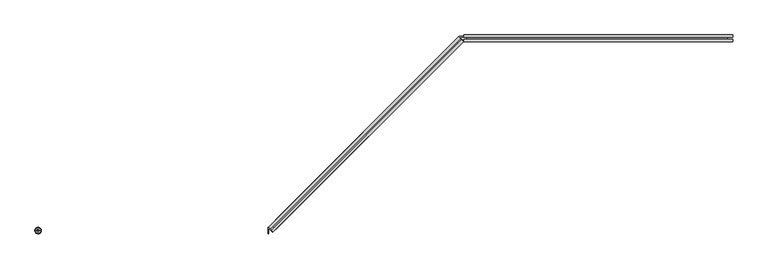
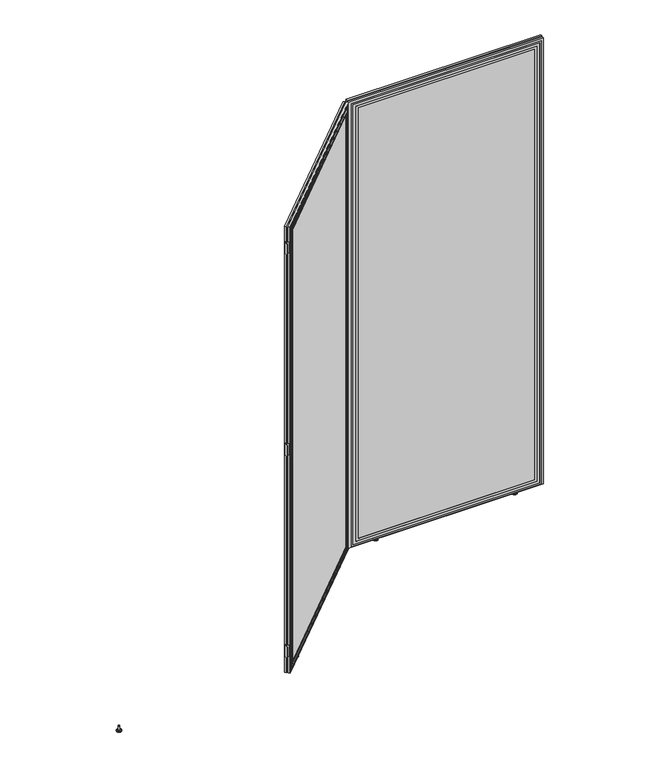
"""IFC4 building model written with IfcOpenShell, lengths in millimetres: furniture geometry."""

from ifc_helpers import new_model, si_unit, point, frame, frame_2d, origin, place, context, project, spatial, polyline, circle_curve, ellipse_curve, trimmed, segment, composite_curve, outline, extrude, faceted_brep, source, transform, mapped, element, save
from ifc_brep_helpers import plane_surface, cylinder_surface, revolved_surface, advanced_brep


def furniture_5c349e17(model_context):
    return source(origin(), model_context, "Body", "SolidModel", [
        advanced_brep(
        [(1114.8231558, 644.8725611, -0.3015086), (1124.0731544, 644.8725611, -0.3015086), (1105.5731572, 644.8725611, -0.3015086), (1124.823154, 644.8725611, 0.448491), (1104.8231575, 644.8725611, 0.448491), (1124.823154, 644.8725611, 4.4484915), (1104.8231575, 644.8725611, 4.4484915), (1124.0731544, 644.8725611, 5.1984911), (1105.5731572, 644.8725611, 5.1984911), (1117.8231544, 644.8725611, 5.1984911), (1111.8231572, 644.8725611, 5.1984911), (1117.8231544, 644.8725611, 24.1984919), (1111.8231572, 644.8725611, 24.1984919), (1114.8231558, 644.8725611, 24.1984919)],
        [
            (0, 1),
            (1, 2, circle_curve(frame((1114.8231558, 644.8725611, -0.3015086), z_axis=(0.0, 0.0, -1.0), x_axis=(1.0000000000000007, 0.0, 0.0)), 9.2499986)),
            (2, 0),
            (2, 1, circle_curve(frame((1114.8231558, 644.8725611, -0.3015086), z_axis=(0.0, 0.0, -1.0), x_axis=(1.0000000000000007, 0.0, 0.0)), 9.2499986)),
            (1, 3, circle_curve(frame((1124.0731544, 644.8725611, 0.448491), z_axis=(0.0, -1.0000000000000007, 0.0), x_axis=(-1.0000000000000007, 0.0, 0.0)), 0.7499996)),
            (3, 4, circle_curve(frame((1114.8231558, 644.8725611, 0.448491), z_axis=(0.0, 0.0, -1.0), x_axis=(1.0000000000000007, 0.0, 0.0)), 9.9999983)),
            (4, 2, circle_curve(frame((1105.5731572, 644.8725611, 0.448491), z_axis=(0.0, -1.0000000000000007, 0.0), x_axis=(1.0000000000000007, 0.0, 0.0)), 0.7499996)),
            (4, 3, circle_curve(frame((1114.8231558, 644.8725611, 0.448491), z_axis=(0.0, 0.0, -1.0), x_axis=(1.0000000000000007, 0.0, 0.0)), 9.9999983)),
            (3, 5),
            (5, 6, circle_curve(frame((1114.8231558, 644.8725611, 4.4484915), z_axis=(0.0, 0.0, -1.0), x_axis=(1.0000000000000007, 0.0, 0.0)), 9.9999983)),
            (6, 4),
            (6, 5, circle_curve(frame((1114.8231558, 644.8725611, 4.4484915), z_axis=(0.0, 0.0, -1.0), x_axis=(1.0000000000000007, 0.0, 0.0)), 9.9999983)),
            (5, 7, circle_curve(frame((1124.0731544, 644.8725611, 4.4484915), z_axis=(0.0, -1.0000000000000007, 0.0), x_axis=(-1.0000000000000007, 0.0, 0.0)), 0.7499996)),
            (7, 8, circle_curve(frame((1114.8231558, 644.8725611, 5.1984911), z_axis=(0.0, 0.0, -1.0), x_axis=(1.0000000000000007, 0.0, 0.0)), 9.2499986)),
            (8, 6, circle_curve(frame((1105.5731572, 644.8725611, 4.4484915), z_axis=(0.0, -1.0000000000000007, 0.0), x_axis=(1.0000000000000007, 0.0, 0.0)), 0.7499996)),
            (8, 7, circle_curve(frame((1114.8231558, 644.8725611, 5.1984911), z_axis=(0.0, 0.0, -1.0), x_axis=(1.0000000000000007, 0.0, 0.0)), 9.2499986)),
            (7, 9),
            (9, 10, circle_curve(frame((1114.8231558, 644.8725611, 5.1984911), z_axis=(0.0, 0.0, -1.0), x_axis=(1.0000000000000007, 0.0, 0.0)), 2.9999986)),
            (10, 8),
            (10, 9, circle_curve(frame((1114.8231558, 644.8725611, 5.1984911), z_axis=(0.0, 0.0, -1.0), x_axis=(1.0000000000000007, 0.0, 0.0)), 2.9999986)),
            (9, 11),
            (11, 12, circle_curve(frame((1114.8231558, 644.8725611, 24.1984919), z_axis=(0.0, 0.0, -1.0), x_axis=(1.0000000000000007, 0.0, 0.0)), 2.9999986)),
            (12, 10),
            (12, 11, circle_curve(frame((1114.8231558, 644.8725611, 24.1984919), z_axis=(0.0, 0.0, -1.0), x_axis=(1.0000000000000007, 0.0, 0.0)), 2.9999986)),
            (11, 13),
            (13, 12),
        ],
        [
            plane_surface(frame((1114.8231558, 644.8725611, -0.3015086), z_axis=(0.0, 0.0, -1.0), x_axis=(1.0, 0.0, 0.0))),
            revolved_surface(trimmed(ellipse_curve(frame((1124.0731544, 644.8725611, 0.448491), z_axis=(0.0, 1.0000000000000007, 0.0), x_axis=(-1.0000000000000007, 0.0, 0.0)), 0.7499996, 0.7499996), [point((1124.823154, 644.8725611, 0.448491))], [point((1124.0731544, 644.8725611, -0.3015086))], True, "CARTESIAN"), (1114.8231558, 644.8725611, 24.1984919), (0.0, 0.0, -1.0)),
            cylinder_surface(frame((1114.8231558, 644.8725611, 24.1984919), z_axis=(0.0, 0.0, -1.0), x_axis=(1.0000000000000007, 0.0, 0.0)), 9.9999983),
            revolved_surface(trimmed(ellipse_curve(frame((1124.0731544, 644.8725611, 4.4484915), z_axis=(0.0, 1.0000000000000007, 0.0), x_axis=(-1.0000000000000007, 0.0, 0.0)), 0.7499996, 0.7499996), [point((1124.0731544, 644.8725611, 5.1984911))], [point((1124.823154, 644.8725611, 4.4484915))], True, "CARTESIAN"), (1114.8231558, 644.8725611, 24.1984919), (0.0, 0.0, -1.0)),
            plane_surface(frame((1114.8231558, 644.8725611, 5.1984911), z_axis=(0.0, 0.0, 1.0), x_axis=(1.0, 0.0, 0.0))),
            cylinder_surface(frame((1114.8231558, 644.8725611, 24.1984919), z_axis=(0.0, 0.0, -1.0), x_axis=(1.0000000000000007, 0.0, 0.0)), 2.9999986),
            plane_surface(frame((1114.8231558, 644.8725611, 24.1984919), z_axis=(0.0, 0.0, 1.0), x_axis=(1.0, 0.0, 0.0))),
        ],
        [
            (0, [[1, 2, 3]]),
            (0, [[-3, 4, -1]]),
            (1, [[-2, 5, 6, 7]]),
            (1, [[-4, -7, 8, -5]]),
            (2, [[-6, 9, 10, 11]]),
            (2, [[-8, -11, 12, -9]]),
            (3, [[-10, 13, 14, 15]]),
            (3, [[-12, -15, 16, -13]]),
            (4, [[-14, 17, 18, 19]]),
            (4, [[-16, -19, 20, -17]]),
            (5, [[-18, 21, 22, 23]]),
            (5, [[-20, -23, 24, -21]]),
            (6, [[-22, 25, 26]]),
            (6, [[-24, -26, -25]]),
        ],
    ),
        advanced_brep(
        [(1723.9641522, 644.8725611, -0.3015086), (1705.464155, 644.8725611, -0.3015086), (1714.7141536, 644.8725611, -0.3015086), (1724.7141519, 644.8725611, 0.448491), (1704.7141553, 644.8725611, 0.448491), (1724.7141519, 644.8725611, 4.4484915), (1704.7141553, 644.8725611, 4.4484915), (1723.9641522, 644.8725611, 5.1984911), (1705.464155, 644.8725611, 5.1984911), (1717.7141522, 644.8725611, 5.1984911), (1711.714155, 644.8725611, 5.1984911), (1717.7141522, 644.8725611, 24.1984919), (1711.714155, 644.8725611, 24.1984919), (1714.7141536, 644.8725611, 24.1984919)],
        [
            (0, 1, circle_curve(frame((1714.7141536, 644.8725611, -0.3015086), z_axis=(0.0, 0.0, -1.0), x_axis=(-1.0000000000000007, 0.0, 0.0)), 9.2499986)),
            (1, 2),
            (2, 0),
            (1, 0, circle_curve(frame((1714.7141536, 644.8725611, -0.3015086), z_axis=(0.0, 0.0, -1.0), x_axis=(-1.0000000000000007, 0.0, 0.0)), 9.2499986)),
            (3, 4, circle_curve(frame((1714.7141536, 644.8725611, 0.448491), z_axis=(0.0, 0.0, -1.0), x_axis=(-1.0000000000000007, 0.0, 0.0)), 9.9999983)),
            (4, 1, circle_curve(frame((1705.464155, 644.8725611, 0.448491), z_axis=(0.0, -1.0000000000000007, 0.0), x_axis=(1.0000000000000007, 0.0, 0.0)), 0.7499996)),
            (0, 3, circle_curve(frame((1723.9641522, 644.8725611, 0.448491), z_axis=(0.0, -1.0000000000000007, 0.0), x_axis=(-1.0000000000000007, 0.0, 0.0)), 0.7499996)),
            (4, 3, circle_curve(frame((1714.7141536, 644.8725611, 0.448491), z_axis=(0.0, 0.0, -1.0), x_axis=(-1.0000000000000007, 0.0, 0.0)), 9.9999983)),
            (5, 6, circle_curve(frame((1714.7141536, 644.8725611, 4.4484915), z_axis=(0.0, 0.0, -1.0), x_axis=(-1.0000000000000007, 0.0, 0.0)), 9.9999983)),
            (6, 4),
            (3, 5),
            (6, 5, circle_curve(frame((1714.7141536, 644.8725611, 4.4484915), z_axis=(0.0, 0.0, -1.0), x_axis=(-1.0000000000000007, 0.0, 0.0)), 9.9999983)),
            (7, 8, circle_curve(frame((1714.7141536, 644.8725611, 5.1984911), z_axis=(0.0, 0.0, -1.0), x_axis=(-1.0000000000000007, 0.0, 0.0)), 9.2499986)),
            (8, 6, circle_curve(frame((1705.464155, 644.8725611, 4.4484915), z_axis=(0.0, -1.0000000000000007, 0.0), x_axis=(1.0000000000000007, 0.0, 0.0)), 0.7499996)),
            (5, 7, circle_curve(frame((1723.9641522, 644.8725611, 4.4484915), z_axis=(0.0, -1.0000000000000007, 0.0), x_axis=(-1.0000000000000007, 0.0, 0.0)), 0.7499996)),
            (8, 7, circle_curve(frame((1714.7141536, 644.8725611, 5.1984911), z_axis=(0.0, 0.0, -1.0), x_axis=(-1.0000000000000007, 0.0, 0.0)), 9.2499986)),
            (9, 10, circle_curve(frame((1714.7141536, 644.8725611, 5.1984911), z_axis=(0.0, 0.0, -1.0), x_axis=(-1.0000000000000007, 0.0, 0.0)), 2.9999986)),
            (10, 8),
            (7, 9),
            (10, 9, circle_curve(frame((1714.7141536, 644.8725611, 5.1984911), z_axis=(0.0, 0.0, -1.0), x_axis=(-1.0000000000000007, 0.0, 0.0)), 2.9999986)),
            (11, 12, circle_curve(frame((1714.7141536, 644.8725611, 24.1984919), z_axis=(0.0, 0.0, -1.0), x_axis=(-1.0000000000000007, 0.0, 0.0)), 2.9999986)),
            (12, 10),
            (9, 11),
            (12, 11, circle_curve(frame((1714.7141536, 644.8725611, 24.1984919), z_axis=(0.0, 0.0, -1.0), x_axis=(-1.0000000000000007, 0.0, 0.0)), 2.9999986)),
            (13, 12),
            (11, 13),
        ],
        [
            plane_surface(frame((1714.7141536, 644.8725611, -0.3015086), z_axis=(0.0, 0.0, -1.0), x_axis=(-1.0, 0.0, 0.0))),
            revolved_surface(trimmed(ellipse_curve(frame((1705.464155, 644.8725611, 0.448491), z_axis=(0.0, 1.0000000000000007, 0.0), x_axis=(1.0000000000000007, 0.0, 0.0)), 0.7499996, 0.7499996), [point((1705.464155, 644.8725611, -0.3015086))], [point((1704.7141553, 644.8725611, 0.448491))], True, "CARTESIAN"), (1714.7141536, 644.8725611, 24.1984919), (0.0, 0.0, 1.0)),
            cylinder_surface(frame((1714.7141536, 644.8725611, 24.1984919), z_axis=(0.0, 0.0, 1.0), x_axis=(-1.0000000000000007, 0.0, 0.0)), 9.9999983),
            revolved_surface(trimmed(ellipse_curve(frame((1705.464155, 644.8725611, 4.4484915), z_axis=(0.0, 1.0000000000000007, 0.0), x_axis=(1.0000000000000007, 0.0, 0.0)), 0.7499996, 0.7499996), [point((1704.7141553, 644.8725611, 4.4484915))], [point((1705.464155, 644.8725611, 5.1984911))], True, "CARTESIAN"), (1714.7141536, 644.8725611, 24.1984919), (0.0, 0.0, 1.0)),
            plane_surface(frame((1714.7141536, 644.8725611, 5.1984911), z_axis=(0.0, 0.0, 1.0), x_axis=(-1.0, 0.0, 0.0))),
            cylinder_surface(frame((1714.7141536, 644.8725611, 24.1984919), z_axis=(0.0, 0.0, 1.0), x_axis=(-1.0000000000000007, 0.0, 0.0)), 2.9999986),
            plane_surface(frame((1714.7141536, 644.8725611, 24.1984919), z_axis=(0.0, 0.0, 1.0), x_axis=(-1.0, 0.0, 0.0))),
        ],
        [
            (0, [[1, 2, 3]]),
            (0, [[4, -3, -2]]),
            (1, [[5, 6, -1, 7]]),
            (1, [[8, -7, -4, -6]]),
            (2, [[9, 10, -5, 11]]),
            (2, [[12, -11, -8, -10]]),
            (3, [[13, 14, -9, 15]]),
            (3, [[16, -15, -12, -14]]),
            (4, [[17, 18, -13, 19]]),
            (4, [[20, -19, -16, -18]]),
            (5, [[21, 22, -17, 23]]),
            (5, [[24, -23, -20, -22]]),
            (6, [[25, -21, 26]]),
            (6, [[-26, -24, -25]]),
        ],
    ),
        faceted_brep([(992.8905297, 642.3881861, 2039.8382812), (992.8905297, 634.3209987, 2039.8382812), (1832.8764672, 634.3209987, 2039.8382812), (1832.8764672, 642.3881861, 2039.8382812), (992.8905297, 642.3881861, 8.0000232), (1832.8764672, 642.3881861, 8.0000232), (1832.8764672, 634.3209987, 8.0000232), (992.8905297, 634.3209987, 8.0000232), (1824.733995, 634.3209987, 9.7609912), (1004.7340037, 634.3209987, 9.7609912), (1004.7340037, 634.3209987, 2029.7609894), (1824.733995, 634.3209987, 2029.7609894), (1816.8804421, 634.3209987, 2021.907399), (1012.5875215, 634.3209987, 2021.907399), (1012.5875215, 634.3209987, 17.6145453), (1816.8804421, 634.3209987, 17.6145453), (1805.2339952, 634.3209987, 2010.2610168), (1805.2339952, 634.3209987, 29.260991), (1024.2339763, 634.3209987, 29.260991), (1024.2339763, 634.3209987, 2010.2610168), (1824.233996, 634.3209987, 10.2609914), (1824.233996, 634.3209987, 2029.2610199), (1005.2339732, 634.3209987, 2029.2610199), (1005.2339732, 634.3209987, 10.2609914), (1012.4253221, 634.3209987, 2022.0695984), (1817.042654, 634.3209987, 2022.0695984), (1817.042654, 634.3209987, 17.4523323), (1012.4253221, 634.3209987, 17.4523323), (1804.7339962, 634.3209987, 2009.7610474), (1024.7340184, 634.3209987, 2009.7610474), (1024.7340184, 634.3209987, 29.7609923), (1804.7339962, 634.3209987, 29.7609923), (1794.7339934, 634.3209987, 1999.760931), (1794.7339934, 634.3209987, 39.7609905), (1034.7339894, 634.3209987, 39.7609905), (1034.7339894, 634.3209987, 1999.760931), (1012.4253221, 639.3381863, 2022.0695984), (1012.4253221, 639.3381863, 17.4523323), (1817.042654, 639.3381863, 17.4523323), (1817.042654, 639.3381863, 2022.0695984), (1816.8804421, 639.3381863, 2021.907399), (1816.8804421, 639.3381863, 17.6145453), (1012.5875215, 639.3381863, 17.6145453), (1012.5875215, 639.3381863, 2021.907399), (1824.733995, 639.3381863, 9.7609912), (1824.733995, 639.3381863, 2029.7609894), (1004.7340037, 639.3381863, 2029.7609894), (1004.7340037, 639.3381863, 9.7609912), (1824.233996, 639.3381863, 10.2609914), (1005.2339732, 639.3381863, 10.2609914), (1005.2339732, 639.3381863, 2029.2610199), (1824.233996, 639.3381863, 2029.2610199), (1794.7339934, 634.6468444, 1999.760931), (1034.7339894, 634.6468444, 1999.760931), (1034.7339894, 634.6468444, 39.7609905), (1794.7339934, 634.6468444, 39.7609905), (1805.2339952, 634.6468444, 2010.2610168), (1024.2339763, 634.6468444, 2010.2610168), (1024.2339763, 634.6468444, 29.260991), (1805.2339952, 634.6468444, 29.260991), (1804.7339962, 634.6468444, 2009.7610474), (1804.7339962, 634.6468444, 29.7609923), (1024.7340184, 634.6468444, 29.7609923), (1024.7340184, 634.6468444, 2009.7610474)], [[[0, 1, 2, 3]], [[4, 5, 6, 7]], [[0, 3, 5, 4]], [[3, 2, 6, 5]], [[2, 1, 7, 6], [8, 9, 10, 11]], [[12, 13, 14, 15], [16, 17, 18, 19]], [[20, 21, 22, 23], [24, 25, 26, 27]], [[28, 29, 30, 31], [32, 33, 34, 35]], [[1, 0, 4, 7]], [[36, 37, 38, 39], [40, 41, 42, 43]], [[44, 45, 46, 47], [48, 49, 50, 51]], [[40, 43, 13, 12]], [[43, 42, 14, 13]], [[42, 41, 15, 14]], [[41, 40, 12, 15]], [[36, 39, 25, 24]], [[39, 38, 26, 25]], [[38, 37, 27, 26]], [[37, 36, 24, 27]], [[44, 47, 9, 8]], [[47, 46, 10, 9]], [[46, 45, 11, 10]], [[45, 44, 8, 11]], [[48, 51, 21, 20]], [[51, 50, 22, 21]], [[50, 49, 23, 22]], [[49, 48, 20, 23]], [[52, 53, 54, 55]], [[56, 57, 58, 59], [60, 61, 62, 63]], [[52, 55, 33, 32]], [[55, 54, 34, 33]], [[54, 53, 35, 34]], [[53, 52, 32, 35]], [[56, 59, 17, 16]], [[59, 58, 18, 17]], [[58, 57, 19, 18]], [[57, 56, 16, 19]], [[60, 63, 29, 28]], [[63, 62, 30, 29]], [[62, 61, 31, 30]], [[61, 60, 28, 31]]]),
        faceted_brep([(992.8905297, 647.2881862, 2039.8382812), (1832.8764672, 647.2881862, 2039.8382812), (1832.8764672, 655.3553737, 2039.8382812), (992.8905297, 655.3553737, 2039.8382812), (992.8905297, 647.2881862, 8.0000232), (992.8905297, 655.3553737, 8.0000232), (1832.8764672, 655.3553737, 8.0000232), (1832.8764672, 647.2881862, 8.0000232), (1004.7340037, 655.3553737, 9.7609912), (1824.733995, 655.3553737, 9.7609912), (1824.733995, 655.3553737, 2029.7609894), (1004.7340037, 655.3553737, 2029.7609894), (1024.7340184, 655.3553737, 2009.7610474), (1804.7339962, 655.3553737, 2009.7610474), (1804.7339962, 655.3553737, 29.7609923), (1024.7340184, 655.3553737, 29.7609923), (1794.7339934, 655.3553737, 39.7609905), (1794.7339934, 655.3553737, 1999.760931), (1034.7339894, 655.3553737, 1999.760931), (1034.7339894, 655.3553737, 39.7609905), (1012.5875215, 655.3553737, 2021.907399), (1816.8804421, 655.3553737, 2021.907399), (1816.8804421, 655.3553737, 17.6145453), (1012.5875215, 655.3553737, 17.6145453), (1805.2339952, 655.3553737, 29.260991), (1805.2339952, 655.3553737, 2010.2610168), (1024.2339763, 655.3553737, 2010.2610168), (1024.2339763, 655.3553737, 29.260991), (1824.233996, 655.3553737, 2029.2610199), (1824.233996, 655.3553737, 10.2609914), (1005.2339732, 655.3553737, 10.2609914), (1005.2339732, 655.3553737, 2029.2610199), (1817.042654, 655.3553737, 2022.0695984), (1012.4253221, 655.3553737, 2022.0695984), (1012.4253221, 655.3553737, 17.4523323), (1817.042654, 655.3553737, 17.4523323), (1794.7339934, 655.0295279, 1999.760931), (1794.7339934, 655.0295279, 39.7609905), (1034.7339894, 655.0295279, 39.7609905), (1034.7339894, 655.0295279, 1999.760931), (1805.2339952, 655.0295279, 2010.2610168), (1805.2339952, 655.0295279, 29.260991), (1024.2339763, 655.0295279, 29.260991), (1024.2339763, 655.0295279, 2010.2610168), (1804.7339962, 655.0295279, 2009.7610474), (1024.7340184, 655.0295279, 2009.7610474), (1024.7340184, 655.0295279, 29.7609923), (1804.7339962, 655.0295279, 29.7609923), (1012.4253221, 650.338186, 2022.0695984), (1817.042654, 650.338186, 2022.0695984), (1817.042654, 650.338186, 17.4523323), (1012.4253221, 650.338186, 17.4523323), (1816.8804421, 650.338186, 2021.907399), (1012.5875215, 650.338186, 2021.907399), (1012.5875215, 650.338186, 17.6145453), (1816.8804421, 650.338186, 17.6145453), (1824.733995, 650.338186, 9.7609912), (1004.7340037, 650.338186, 9.7609912), (1004.7340037, 650.338186, 2029.7609894), (1824.733995, 650.338186, 2029.7609894), (1824.233996, 650.338186, 10.2609914), (1824.233996, 650.338186, 2029.2610199), (1005.2339732, 650.338186, 2029.2610199), (1005.2339732, 650.338186, 10.2609914)], [[[0, 1, 2, 3]], [[4, 5, 6, 7]], [[1, 0, 4, 7]], [[2, 1, 7, 6]], [[3, 2, 6, 5], [8, 9, 10, 11]], [[12, 13, 14, 15], [16, 17, 18, 19]], [[20, 21, 22, 23], [24, 25, 26, 27]], [[28, 29, 30, 31], [32, 33, 34, 35]], [[0, 3, 5, 4]], [[36, 37, 38, 39]], [[40, 41, 42, 43], [44, 45, 46, 47]], [[37, 36, 17, 16]], [[38, 37, 16, 19]], [[39, 38, 19, 18]], [[36, 39, 18, 17]], [[41, 40, 25, 24]], [[42, 41, 24, 27]], [[43, 42, 27, 26]], [[40, 43, 26, 25]], [[45, 44, 13, 12]], [[46, 45, 12, 15]], [[47, 46, 15, 14]], [[44, 47, 14, 13]], [[48, 49, 50, 51], [52, 53, 54, 55]], [[56, 57, 58, 59], [60, 61, 62, 63]], [[53, 52, 21, 20]], [[54, 53, 20, 23]], [[55, 54, 23, 22]], [[52, 55, 22, 21]], [[49, 48, 33, 32]], [[50, 49, 32, 35]], [[51, 50, 35, 34]], [[48, 51, 34, 33]], [[57, 56, 9, 8]], [[58, 57, 8, 11]], [[59, 58, 11, 10]], [[56, 59, 10, 9]], [[61, 60, 29, 28]], [[62, 61, 28, 31]], [[63, 62, 31, 30]], [[60, 63, 30, 29]]]),
        extrude(outline(polyline([(1816.733995, 647.2881862), (1816.733995, 642.3881861), (1003.2557729, 642.3881861), (1003.2557729, 647.2881862), (1816.733995, 647.2881862)])), frame((0.0, 0.0, 8.0000232), z_axis=(0.0, 0.0, 1.0), x_axis=(1.0, 0.0, 0.0)), (0.0, 0.0, 1.0), 2022.0000504),
        extrude(outline(composite_curve([segment(polyline([(997.9488863, 648.5239509), (979.9488757, 648.5239503), (992.676805, 635.7960219), (991.2625879, 634.3818047), (978.5538758, 647.0905159)]), True, "CONTINUOUS"), segment(trimmed(circle_curve(frame_2d((979.9760501, 648.5126903)), 2.0112583), [point((978.5538758, 647.0905159))], [point((979.9760501, 650.5239486))], False, "CARTESIAN"), True, "CONTINUOUS"), segment(polyline([(979.9760501, 650.5239486), (997.9488862, 650.5239492), (997.9488863, 648.5239509)]), True, "CONTINUOUS")], self_intersect=False)), frame((0.0, 0.0, 1921.0916178), z_axis=(0.0, 0.0, 1.0), x_axis=(1.0, 0.0, 0.0)), (0.0, 0.0, 1.0), 50.7083746),
        extrude(outline(composite_curve([segment(polyline([(997.9488863, 648.5239509), (979.9488757, 648.5239503), (992.676805, 635.7960219), (991.2625879, 634.3818047), (978.5538758, 647.0905159)]), True, "CONTINUOUS"), segment(trimmed(circle_curve(frame_2d((979.9760501, 648.5126903)), 2.0112583), [point((978.5538758, 647.0905159))], [point((979.9760501, 650.5239486))], False, "CARTESIAN"), True, "CONTINUOUS"), segment(polyline([(979.9760501, 650.5239486), (997.9488862, 650.5239492), (997.9488863, 648.5239509)]), True, "CONTINUOUS")], self_intersect=False)), frame((0.0, 0.0, 1002.6916439), z_axis=(0.0, 0.0, 1.0), x_axis=(1.0, 0.0, 0.0)), (0.0, 0.0, 1.0), 50.7083746),
        extrude(outline(composite_curve([segment(polyline([(997.9722104, 648.547275), (979.9721999, 648.5472744), (992.7001291, 635.819346), (991.285912, 634.4051288), (978.5771999, 647.11384)]), True, "CONTINUOUS"), segment(trimmed(circle_curve(frame_2d((979.9993743, 648.5360144)), 2.0112583), [point((978.5771999, 647.11384))], [point((979.9993742, 650.5472727))], False, "CARTESIAN"), True, "CONTINUOUS"), segment(polyline([(979.9993742, 650.5472727), (997.9722103, 650.5472733), (997.9722104, 648.547275)]), True, "CONTINUOUS")], self_intersect=False)), frame((0.0, 0.0, 84.7916486), z_axis=(0.0, 0.0, 1.0), x_axis=(1.0, 0.0, 0.0)), (0.0, 0.0, 1.0), 50.7083746),
        advanced_brep(
        [(476.3161199, 133.7810063, -0.3015086), (482.8568564, 140.3217432, -0.3015086), (469.7753834, 127.2402693, -0.3015086), (483.3871863, 140.8520731, 0.448491), (469.2450536, 126.7099395, 0.448491), (483.3871863, 140.8520731, 4.4484915), (469.2450536, 126.7099395, 4.4484915), (482.8568564, 140.3217432, 5.1984911), (469.7753834, 127.2402693, 5.1984911), (478.4374392, 135.9023257, 5.1984911), (474.1948006, 131.6596869, 5.1984911), (478.4374392, 135.9023257, 24.1984919), (474.1948006, 131.6596869, 24.1984919), (476.3161199, 133.7810063, 24.1984919)],
        [
            (0, 1),
            (1, 2, circle_curve(frame((476.3161199, 133.7810063, -0.3015086), z_axis=(0.0, 0.0, -1.0), x_axis=(0.7071067576750253, 0.7071068046980694, 0.0)), 9.2499986)),
            (2, 0),
            (2, 1, circle_curve(frame((476.3161199, 133.7810063, -0.3015086), z_axis=(0.0, 0.0, -1.0), x_axis=(0.7071067576750253, 0.7071068046980694, 0.0)), 9.2499986)),
            (1, 3, circle_curve(frame((482.8568564, 140.3217432, 0.448491), z_axis=(0.7071068046980694, -0.7071067576750253, 0.0), x_axis=(-0.7071067576750253, -0.7071068046980694, 0.0)), 0.7499996)),
            (3, 4, circle_curve(frame((476.3161199, 133.7810063, 0.448491), z_axis=(0.0, 0.0, -1.0), x_axis=(0.7071067576750253, 0.7071068046980694, 0.0)), 9.9999983)),
            (4, 2, circle_curve(frame((469.7753834, 127.2402693, 0.448491), z_axis=(0.7071068046980717, -0.707106757675023, 0.0), x_axis=(0.707106757675023, 0.7071068046980717, 0.0)), 0.7499996)),
            (4, 3, circle_curve(frame((476.3161199, 133.7810063, 0.448491), z_axis=(0.0, 0.0, -1.0), x_axis=(0.7071067576750253, 0.7071068046980694, 0.0)), 9.9999983)),
            (3, 5),
            (5, 6, circle_curve(frame((476.3161199, 133.7810063, 4.4484915), z_axis=(0.0, 0.0, -1.0), x_axis=(0.7071067576750253, 0.7071068046980694, 0.0)), 9.9999983)),
            (6, 4),
            (6, 5, circle_curve(frame((476.3161199, 133.7810063, 4.4484915), z_axis=(0.0, 0.0, -1.0), x_axis=(0.7071067576750253, 0.7071068046980694, 0.0)), 9.9999983)),
            (5, 7, circle_curve(frame((482.8568564, 140.3217432, 4.4484915), z_axis=(0.7071068046980694, -0.7071067576750253, 0.0), x_axis=(-0.7071067576750253, -0.7071068046980694, 0.0)), 0.7499996)),
            (7, 8, circle_curve(frame((476.3161199, 133.7810063, 5.1984911), z_axis=(0.0, 0.0, -1.0), x_axis=(0.7071067576750253, 0.7071068046980694, 0.0)), 9.2499986)),
            (8, 6, circle_curve(frame((469.7753834, 127.2402693, 4.4484915), z_axis=(0.7071068046980717, -0.707106757675023, 0.0), x_axis=(0.707106757675023, 0.7071068046980717, 0.0)), 0.7499996)),
            (8, 7, circle_curve(frame((476.3161199, 133.7810063, 5.1984911), z_axis=(0.0, 0.0, -1.0), x_axis=(0.7071067576750253, 0.7071068046980694, 0.0)), 9.2499986)),
            (7, 9),
            (9, 10, circle_curve(frame((476.3161199, 133.7810063, 5.1984911), z_axis=(0.0, 0.0, -1.0), x_axis=(0.7071067576750253, 0.7071068046980694, 0.0)), 2.9999986)),
            (10, 8),
            (10, 9, circle_curve(frame((476.3161199, 133.7810063, 5.1984911), z_axis=(0.0, 0.0, -1.0), x_axis=(0.7071067576750253, 0.7071068046980694, 0.0)), 2.9999986)),
            (9, 11),
            (11, 12, circle_curve(frame((476.3161199, 133.7810063, 24.1984919), z_axis=(0.0, 0.0, -1.0), x_axis=(0.7071067576750253, 0.7071068046980694, 0.0)), 2.9999986)),
            (12, 10),
            (12, 11, circle_curve(frame((476.3161199, 133.7810063, 24.1984919), z_axis=(0.0, 0.0, -1.0), x_axis=(0.7071067576750253, 0.7071068046980694, 0.0)), 2.9999986)),
            (11, 13),
            (13, 12),
        ],
        [
            plane_surface(frame((476.3161199, 133.7810063, -0.3015086), z_axis=(0.0, 0.0, -1.0000000000000002), x_axis=(0.7071067576750252, 0.7071068046980693, 0.0))),
            revolved_surface(trimmed(ellipse_curve(frame((482.8568564, 140.3217432, 0.448491), z_axis=(-0.7071068046980694, 0.7071067576750253, 0.0), x_axis=(-0.7071067576750253, -0.7071068046980694, 0.0)), 0.7499996, 0.7499996), [point((483.3871863, 140.8520731, 0.448491))], [point((482.8568564, 140.3217432, -0.3015086))], True, "CARTESIAN"), (476.3161199, 133.7810063, 24.1984919), (0.0, 0.0, -1.0)),
            cylinder_surface(frame((476.3161199, 133.7810063, 24.1984919), z_axis=(0.0, 0.0, -1.0), x_axis=(0.7071067576750253, 0.7071068046980694, 0.0)), 9.9999983),
            revolved_surface(trimmed(ellipse_curve(frame((482.8568564, 140.3217432, 4.4484915), z_axis=(-0.7071068046980694, 0.7071067576750253, 0.0), x_axis=(-0.7071067576750253, -0.7071068046980694, 0.0)), 0.7499996, 0.7499996), [point((482.8568564, 140.3217432, 5.1984911))], [point((483.3871863, 140.8520731, 4.4484915))], True, "CARTESIAN"), (476.3161199, 133.7810063, 24.1984919), (0.0, 0.0, -1.0)),
            plane_surface(frame((476.3161199, 133.7810063, 5.1984911), z_axis=(0.0, 0.0, 1.0000000000000002), x_axis=(0.7071067576750252, 0.7071068046980693, 0.0))),
            cylinder_surface(frame((476.3161199, 133.7810063, 24.1984919), z_axis=(0.0, 0.0, -1.0), x_axis=(0.7071067576750253, 0.7071068046980694, 0.0)), 2.9999986),
            plane_surface(frame((476.3161199, 133.7810063, 24.1984919), z_axis=(0.0, 0.0, 1.0000000000000002), x_axis=(0.7071067576750252, 0.7071068046980693, 0.0))),
        ],
        [
            (0, [[1, 2, 3]]),
            (0, [[-3, 4, -1]]),
            (1, [[-2, 5, 6, 7]]),
            (1, [[-4, -7, 8, -5]]),
            (2, [[-6, 9, 10, 11]]),
            (2, [[-8, -11, 12, -9]]),
            (3, [[-10, 13, 14, 15]]),
            (3, [[-12, -15, 16, -13]]),
            (4, [[-14, 17, 18, 19]]),
            (4, [[-16, -19, 20, -17]]),
            (5, [[-18, 21, 22, 23]]),
            (5, [[-20, -23, 24, -21]]),
            (6, [[-22, 25, 26]]),
            (6, [[-24, -26, -25]]),
        ],
    ),
        advanced_brep(
        [(907.0438349, 564.5087499, -0.3015086), (893.9623618, 551.4272759, -0.3015086), (900.5030983, 557.9680129, -0.3015086), (907.5741647, 565.0390797, 0.448491), (893.432032, 550.8969461, 0.448491), (907.5741647, 565.0390797, 4.4484915), (893.432032, 550.8969461, 4.4484915), (907.0438349, 564.5087499, 5.1984911), (893.9623618, 551.4272759, 5.1984911), (902.6244176, 560.0893323, 5.1984911), (898.3817791, 555.8466935, 5.1984911), (902.6244176, 560.0893323, 24.1984919), (898.3817791, 555.8466935, 24.1984919), (900.5030983, 557.9680129, 24.1984919)],
        [
            (0, 1, circle_curve(frame((900.5030983, 557.9680129, -0.3015086), z_axis=(0.0, 0.0, -1.0), x_axis=(-0.7071067576750206, -0.7071068046980741, 0.0)), 9.2499986)),
            (1, 2),
            (2, 0),
            (1, 0, circle_curve(frame((900.5030983, 557.9680129, -0.3015086), z_axis=(0.0, 0.0, -1.0), x_axis=(-0.7071067576750206, -0.7071068046980741, 0.0)), 9.2499986)),
            (3, 4, circle_curve(frame((900.5030983, 557.9680129, 0.448491), z_axis=(0.0, 0.0, -1.0), x_axis=(-0.7071067576750206, -0.7071068046980741, 0.0)), 9.9999983)),
            (4, 1, circle_curve(frame((893.9623618, 551.4272759, 0.448491), z_axis=(0.7071068046980741, -0.7071067576750206, 0.0), x_axis=(0.7071067576750206, 0.7071068046980741, 0.0)), 0.7499996)),
            (0, 3, circle_curve(frame((907.0438349, 564.5087499, 0.448491), z_axis=(0.7071068046980717, -0.707106757675023, 0.0), x_axis=(-0.707106757675023, -0.7071068046980717, 0.0)), 0.7499996)),
            (4, 3, circle_curve(frame((900.5030983, 557.9680129, 0.448491), z_axis=(0.0, 0.0, -1.0), x_axis=(-0.7071067576750206, -0.7071068046980741, 0.0)), 9.9999983)),
            (5, 6, circle_curve(frame((900.5030983, 557.9680129, 4.4484915), z_axis=(0.0, 0.0, -1.0), x_axis=(-0.7071067576750206, -0.7071068046980741, 0.0)), 9.9999983)),
            (6, 4),
            (3, 5),
            (6, 5, circle_curve(frame((900.5030983, 557.9680129, 4.4484915), z_axis=(0.0, 0.0, -1.0), x_axis=(-0.7071067576750206, -0.7071068046980741, 0.0)), 9.9999983)),
            (7, 8, circle_curve(frame((900.5030983, 557.9680129, 5.1984911), z_axis=(0.0, 0.0, -1.0), x_axis=(-0.7071067576750206, -0.7071068046980741, 0.0)), 9.2499986)),
            (8, 6, circle_curve(frame((893.9623618, 551.4272759, 4.4484915), z_axis=(0.7071068046980741, -0.7071067576750206, 0.0), x_axis=(0.7071067576750206, 0.7071068046980741, 0.0)), 0.7499996)),
            (5, 7, circle_curve(frame((907.0438349, 564.5087499, 4.4484915), z_axis=(0.7071068046980717, -0.707106757675023, 0.0), x_axis=(-0.707106757675023, -0.7071068046980717, 0.0)), 0.7499996)),
            (8, 7, circle_curve(frame((900.5030983, 557.9680129, 5.1984911), z_axis=(0.0, 0.0, -1.0), x_axis=(-0.7071067576750206, -0.7071068046980741, 0.0)), 9.2499986)),
            (9, 10, circle_curve(frame((900.5030983, 557.9680129, 5.1984911), z_axis=(0.0, 0.0, -1.0), x_axis=(-0.7071067576750206, -0.7071068046980741, 0.0)), 2.9999986)),
            (10, 8),
            (7, 9),
            (10, 9, circle_curve(frame((900.5030983, 557.9680129, 5.1984911), z_axis=(0.0, 0.0, -1.0), x_axis=(-0.7071067576750206, -0.7071068046980741, 0.0)), 2.9999986)),
            (11, 12, circle_curve(frame((900.5030983, 557.9680129, 24.1984919), z_axis=(0.0, 0.0, -1.0), x_axis=(-0.7071067576750206, -0.7071068046980741, 0.0)), 2.9999986)),
            (12, 10),
            (9, 11),
            (12, 11, circle_curve(frame((900.5030983, 557.9680129, 24.1984919), z_axis=(0.0, 0.0, -1.0), x_axis=(-0.7071067576750206, -0.7071068046980741, 0.0)), 2.9999986)),
            (13, 12),
            (11, 13),
        ],
        [
            plane_surface(frame((900.5030983, 557.9680129, -0.3015086), z_axis=(0.0, 0.0, -1.0000000000000004), x_axis=(-0.7071067576750205, -0.707106804698074, 0.0))),
            revolved_surface(trimmed(ellipse_curve(frame((893.9623618, 551.4272759, 0.448491), z_axis=(-0.7071068046980741, 0.7071067576750206, 0.0), x_axis=(0.7071067576750206, 0.7071068046980741, 0.0)), 0.7499996, 0.7499996), [point((893.9623618, 551.4272759, -0.3015086))], [point((893.432032, 550.8969461, 0.448491))], True, "CARTESIAN"), (900.5030983, 557.9680129, 24.1984919), (0.0, 0.0, 1.0)),
            cylinder_surface(frame((900.5030983, 557.9680129, 24.1984919), z_axis=(0.0, 0.0, 1.0), x_axis=(-0.7071067576750206, -0.7071068046980741, 0.0)), 9.9999983),
            revolved_surface(trimmed(ellipse_curve(frame((893.9623618, 551.4272759, 4.4484915), z_axis=(-0.7071068046980741, 0.7071067576750206, 0.0), x_axis=(0.7071067576750206, 0.7071068046980741, 0.0)), 0.7499996, 0.7499996), [point((893.432032, 550.8969461, 4.4484915))], [point((893.9623618, 551.4272759, 5.1984911))], True, "CARTESIAN"), (900.5030983, 557.9680129, 24.1984919), (0.0, 0.0, 1.0)),
            plane_surface(frame((900.5030983, 557.9680129, 5.1984911), z_axis=(0.0, 0.0, 1.0000000000000004), x_axis=(-0.7071067576750205, -0.707106804698074, 0.0))),
            cylinder_surface(frame((900.5030983, 557.9680129, 24.1984919), z_axis=(0.0, 0.0, 1.0), x_axis=(-0.7071067576750206, -0.7071068046980741, 0.0)), 2.9999986),
            plane_surface(frame((900.5030983, 557.9680129, 24.1984919), z_axis=(0.0, 0.0, 1.0000000000000004), x_axis=(-0.7071067576750205, -0.707106804698074, 0.0))),
        ],
        [
            (0, [[1, 2, 3]]),
            (0, [[4, -3, -2]]),
            (1, [[5, 6, -1, 7]]),
            (1, [[8, -7, -4, -6]]),
            (2, [[9, 10, -5, 11]]),
            (2, [[12, -11, -8, -10]]),
            (3, [[13, 14, -9, 15]]),
            (3, [[16, -15, -12, -14]]),
            (4, [[17, 18, -13, 19]]),
            (4, [[20, -19, -16, -18]]),
            (5, [[21, 22, -17, 23]]),
            (5, [[24, -23, -20, -22]]),
            (6, [[25, -21, 26]]),
            (6, [[-26, -24, -25]]),
        ],
    ),
        faceted_brep([(391.8534545, 45.8048983, 2039.8382812), (397.5578176, 40.1005355, 2039.8382812), (991.5175504, 634.0603078, 2039.8382812), (985.8131872, 639.7646706, 2039.8382812), (391.8534545, 45.8048983, 8.0000232), (985.8131872, 639.7646706, 8.0000232), (991.5175504, 634.0603078, 8.0000232), (397.5578176, 40.1005355, 8.0000232), (985.7599533, 628.3027103, 9.7609912), (405.9324181, 48.4751366, 9.7609912), (405.9324181, 48.4751366, 2029.7609894), (985.7599533, 628.3027103, 2029.7609894), (980.2066529, 622.7494096, 2021.907399), (411.4856936, 54.0284124, 2021.907399), (411.4856936, 54.0284124, 17.6145453), (980.2066529, 622.7494096, 17.6145453), (971.9713716, 614.5141278, 2010.2610168), (971.9713716, 614.5141278, 29.260991), (419.7209805, 62.2636999, 29.260991), (419.7209805, 62.2636999, 2010.2610168), (985.4064006, 627.9491576, 10.2609914), (985.4064006, 627.9491576, 2029.2610199), (406.2859499, 48.8286684, 2029.2610199), (406.2859499, 48.8286684, 10.2609914), (411.3710013, 53.9137201, 2022.0695984), (980.321354, 622.8641107, 2022.0695984), (980.321354, 622.8641107, 17.4523323), (411.3710013, 53.9137201, 17.4523323), (971.617819, 614.1605751, 2009.7610474), (420.0745637, 62.6172831, 2009.7610474), (420.0745637, 62.6172831, 29.7609923), (971.617819, 614.1605751, 29.7609923), (964.5467494, 607.089505, 1999.760931), (964.5467494, 607.089505, 39.7609905), (427.1456108, 69.6883306, 39.7609905), (427.1456108, 69.6883306, 1999.760931), (407.8233138, 57.4614074, 2022.0695984), (407.8233138, 57.4614074, 17.4523323), (976.7736665, 626.411798, 17.4523323), (976.7736665, 626.411798, 2022.0695984), (976.6589654, 626.2970969, 2021.907399), (976.6589654, 626.2970969, 17.6145453), (407.9380061, 57.5760997, 17.6145453), (407.9380061, 57.5760997, 2021.907399), (982.2122657, 631.8503976, 9.7609912), (982.2122657, 631.8503976, 2029.7609894), (402.3847306, 52.0228239, 2029.7609894), (402.3847306, 52.0228239, 9.7609912), (981.858713, 631.4968449, 10.2609914), (402.7382624, 52.3763557, 10.2609914), (402.7382624, 52.3763557, 2029.2610199), (981.858713, 631.4968449, 2029.2610199), (964.3163416, 607.3199128, 1999.760931), (426.915203, 69.9187384, 1999.760931), (426.915203, 69.9187384, 39.7609905), (964.3163416, 607.3199128, 39.7609905), (971.7409639, 614.7445355, 2010.2610168), (419.4905727, 62.4941076, 2010.2610168), (419.4905727, 62.4941076, 29.260991), (971.7409639, 614.7445355, 29.260991), (971.3874112, 614.3909828, 2009.7610474), (971.3874112, 614.3909828, 29.7609923), (419.8441559, 62.8476908, 29.7609923), (419.8441559, 62.8476908, 2009.7610474)], [[[0, 1, 2, 3]], [[4, 5, 6, 7]], [[0, 3, 5, 4]], [[3, 2, 6, 5]], [[2, 1, 7, 6], [8, 9, 10, 11]], [[12, 13, 14, 15], [16, 17, 18, 19]], [[20, 21, 22, 23], [24, 25, 26, 27]], [[28, 29, 30, 31], [32, 33, 34, 35]], [[1, 0, 4, 7]], [[36, 37, 38, 39], [40, 41, 42, 43]], [[44, 45, 46, 47], [48, 49, 50, 51]], [[40, 43, 13, 12]], [[43, 42, 14, 13]], [[42, 41, 15, 14]], [[41, 40, 12, 15]], [[36, 39, 25, 24]], [[39, 38, 26, 25]], [[38, 37, 27, 26]], [[37, 36, 24, 27]], [[44, 47, 9, 8]], [[47, 46, 10, 9]], [[46, 45, 11, 10]], [[45, 44, 8, 11]], [[48, 51, 21, 20]], [[51, 50, 22, 21]], [[50, 49, 23, 22]], [[49, 48, 20, 23]], [[52, 53, 54, 55]], [[56, 57, 58, 59], [60, 61, 62, 63]], [[52, 55, 33, 32]], [[55, 54, 34, 33]], [[54, 53, 35, 34]], [[53, 52, 32, 35]], [[56, 59, 17, 16]], [[59, 58, 18, 17]], [[58, 57, 19, 18]], [[57, 56, 16, 19]], [[60, 63, 29, 28]], [[63, 62, 30, 29]], [[62, 61, 31, 30]], [[61, 60, 28, 31]]]),
        faceted_brep([(388.388631, 49.2697215, 2039.8382812), (982.3483638, 643.2294938, 2039.8382812), (976.6440007, 648.9338565, 2039.8382812), (382.6842679, 54.9740842, 2039.8382812), (388.388631, 49.2697215, 8.0000232), (382.6842679, 54.9740842, 8.0000232), (976.6440007, 648.9338565, 8.0000232), (982.3483638, 643.2294938, 8.0000232), (391.0588684, 63.3486853, 9.7609912), (970.8864036, 643.176259, 9.7609912), (970.8864036, 643.176259, 2029.7609894), (391.0588684, 63.3486853, 2029.7609894), (405.201014, 77.4908318, 2009.7610474), (956.7442693, 629.0341238, 2009.7610474), (956.7442693, 629.0341238, 29.7609923), (405.201014, 77.4908318, 29.7609923), (949.6731997, 621.9630537, 39.7609905), (949.6731997, 621.9630537, 1999.760931), (412.2720611, 84.5618794, 1999.760931), (412.2720611, 84.5618794, 39.7609905), (396.6121439, 68.9019612, 2021.907399), (965.3331032, 637.6229583, 2021.907399), (965.3331032, 637.6229583, 17.6145453), (396.6121439, 68.9019612, 17.6145453), (957.0978219, 629.3876765, 29.260991), (957.0978219, 629.3876765, 2010.2610168), (404.8474308, 77.1372486, 2010.2610168), (404.8474308, 77.1372486, 29.260991), (970.5328509, 642.8227063, 2029.2610199), (970.5328509, 642.8227063, 10.2609914), (391.4124002, 63.7022172, 10.2609914), (391.4124002, 63.7022172, 2029.2610199), (965.4478043, 637.7376594, 2022.0695984), (396.4974516, 68.7872689, 2022.0695984), (396.4974516, 68.7872689, 17.4523323), (965.4478043, 637.7376594, 17.4523323), (949.9036075, 621.732646, 1999.760931), (949.9036075, 621.732646, 39.7609905), (412.5024688, 84.3314716, 39.7609905), (412.5024688, 84.3314716, 1999.760931), (957.3282297, 629.1572687, 2010.2610168), (957.3282297, 629.1572687, 29.260991), (405.0778386, 76.9068409, 29.260991), (405.0778386, 76.9068409, 2010.2610168), (956.974677, 628.803716, 2009.7610474), (405.4314217, 77.2604241, 2009.7610474), (405.4314217, 77.2604241, 29.7609923), (956.974677, 628.803716, 29.7609923), (400.0451391, 65.2395816, 2022.0695984), (968.9954919, 634.1899721, 2022.0695984), (968.9954919, 634.1899721, 17.4523323), (400.0451391, 65.2395816, 17.4523323), (968.8807908, 634.075271, 2021.907399), (400.1598314, 65.3542739, 2021.907399), (400.1598314, 65.3542739, 17.6145453), (968.8807908, 634.075271, 17.6145453), (974.4340911, 639.6285717, 9.7609912), (394.606556, 59.800998, 9.7609912), (394.606556, 59.800998, 2029.7609894), (974.4340911, 639.6285717, 2029.7609894), (974.0805384, 639.275019, 10.2609914), (974.0805384, 639.275019, 2029.2610199), (394.9600878, 60.1545299, 2029.2610199), (394.9600878, 60.1545299, 10.2609914)], [[[0, 1, 2, 3]], [[4, 5, 6, 7]], [[1, 0, 4, 7]], [[2, 1, 7, 6]], [[3, 2, 6, 5], [8, 9, 10, 11]], [[12, 13, 14, 15], [16, 17, 18, 19]], [[20, 21, 22, 23], [24, 25, 26, 27]], [[28, 29, 30, 31], [32, 33, 34, 35]], [[0, 3, 5, 4]], [[36, 37, 38, 39]], [[40, 41, 42, 43], [44, 45, 46, 47]], [[37, 36, 17, 16]], [[38, 37, 16, 19]], [[39, 38, 19, 18]], [[36, 39, 18, 17]], [[41, 40, 25, 24]], [[42, 41, 24, 27]], [[43, 42, 27, 26]], [[40, 43, 26, 25]], [[45, 44, 13, 12]], [[46, 45, 12, 15]], [[47, 46, 15, 14]], [[44, 47, 14, 13]], [[48, 49, 50, 51], [52, 53, 54, 55]], [[56, 57, 58, 59], [60, 61, 62, 63]], [[53, 52, 21, 20]], [[54, 53, 20, 23]], [[55, 54, 23, 22]], [[52, 55, 22, 21]], [[49, 48, 33, 32]], [[50, 49, 32, 35]], [[51, 50, 35, 34]], [[48, 51, 34, 33]], [[57, 56, 9, 8]], [[58, 57, 8, 11]], [[59, 58, 11, 10]], [[56, 59, 10, 9]], [[61, 60, 29, 28]], [[62, 61, 28, 31]], [[63, 62, 31, 30]], [[60, 63, 30, 29]]]),
        extrude(outline(polyline([(970.9339127, 631.8150418), (974.3987361, 628.3502186), (399.182788, 53.1342323), (395.7179646, 56.5990555), (970.9339127, 631.8150418)])), frame((0.0, 0.0, 8.0000232), z_axis=(0.0, 0.0, 1.0), x_axis=(1.0, 0.0, 0.0)), (0.0, 0.0, 1.0), 2022.0000504),
        extrude(outline(composite_curve([segment(polyline([(395.3142385, 39.6125109), (382.586309, 52.3404404), (382.586309, 34.3404308), (380.5863039, 34.3404308), (380.5863039, 52.3132632)]), True, "CONTINUOUS"), segment(trimmed(circle_curve(frame_2d((382.5975622, 52.3132632)), 2.0112583), [point((380.5863039, 52.3132632))], [point((384.0197366, 53.7354376))], False, "CARTESIAN"), True, "CONTINUOUS"), segment(polyline([(384.0197366, 53.7354376), (396.7284509, 41.0267233), (395.3142385, 39.6125109)]), True, "CONTINUOUS")], self_intersect=False)), frame((0.0, 0.0, 1921.0916178), z_axis=(0.0, 0.0, 1.0), x_axis=(1.0, 0.0, 0.0)), (0.0, 0.0, 1.0), 50.7083746),
        extrude(outline(composite_curve([segment(polyline([(395.3142385, 39.6125109), (382.586309, 52.3404404), (382.586309, 34.3404308), (380.5863039, 34.3404308), (380.5863039, 52.3132632)]), True, "CONTINUOUS"), segment(trimmed(circle_curve(frame_2d((382.5975622, 52.3132632)), 2.0112583), [point((380.5863039, 52.3132632))], [point((384.0197366, 53.7354376))], False, "CARTESIAN"), True, "CONTINUOUS"), segment(polyline([(384.0197366, 53.7354376), (396.7284509, 41.0267233), (395.3142385, 39.6125109)]), True, "CONTINUOUS")], self_intersect=False)), frame((0.0, 0.0, 1002.6916439), z_axis=(0.0, 0.0, 1.0), x_axis=(1.0, 0.0, 0.0)), (0.0, 0.0, 1.0), 50.7083746),
        extrude(outline(composite_curve([segment(polyline([(395.3472238, 39.6125109), (382.6192943, 52.3404404), (382.6192943, 34.3404308), (380.6192892, 34.3404308), (380.6192892, 52.3132632)]), True, "CONTINUOUS"), segment(trimmed(circle_curve(frame_2d((382.6305475, 52.3132632)), 2.0112583), [point((380.6192892, 52.3132632))], [point((384.0527219, 53.7354376))], False, "CARTESIAN"), True, "CONTINUOUS"), segment(polyline([(384.0527219, 53.7354376), (396.7614362, 41.0267233), (395.3472238, 39.6125109)]), True, "CONTINUOUS")], self_intersect=False)), frame((0.0, 0.0, 84.7916486), z_axis=(0.0, 0.0, 1.0), x_axis=(1.0, 0.0, 0.0)), (0.0, 0.0, 1.0), 50.7083746),
        advanced_brep(
        [(-337.5140544, 44.4843749, -0.3015086), (-328.2640558, 44.4843749, -0.3015086), (-346.764053, 44.4843749, -0.3015086), (-327.5140561, 44.4843749, 0.448491), (-347.5140526, 44.4843749, 0.448491), (-327.5140561, 44.4843749, 4.4484915), (-347.5140526, 44.4843749, 4.4484915), (-328.2640558, 44.4843749, 5.1984911), (-346.764053, 44.4843749, 5.1984911), (-334.5140558, 44.4843749, 5.1984911), (-340.514053, 44.4843749, 5.1984911), (-334.5140558, 44.4843749, 24.1984919), (-340.514053, 44.4843749, 24.1984919), (-337.5140544, 44.4843749, 24.1984919)],
        [
            (0, 1),
            (1, 2, circle_curve(frame((-337.5140544, 44.4843749, -0.3015086), z_axis=(0.0, 0.0, -1.0), x_axis=(1.0, 0.0, 0.0)), 9.2499986)),
            (2, 0),
            (2, 1, circle_curve(frame((-337.5140544, 44.4843749, -0.3015086), z_axis=(0.0, 0.0, -1.0), x_axis=(1.0, 0.0, 0.0)), 9.2499986)),
            (1, 3, circle_curve(frame((-328.2640558, 44.4843749, 0.448491), z_axis=(0.0, -1.0, 0.0), x_axis=(-1.0, 0.0, 0.0)), 0.7499996)),
            (3, 4, circle_curve(frame((-337.5140544, 44.4843749, 0.448491), z_axis=(0.0, 0.0, -1.0), x_axis=(1.0, 0.0, 0.0)), 9.9999983)),
            (4, 2, circle_curve(frame((-346.764053, 44.4843749, 0.448491), z_axis=(0.0, -1.0, 0.0), x_axis=(1.0, 0.0, 0.0)), 0.7499996)),
            (4, 3, circle_curve(frame((-337.5140544, 44.4843749, 0.448491), z_axis=(0.0, 0.0, -1.0), x_axis=(1.0, 0.0, 0.0)), 9.9999983)),
            (3, 5),
            (5, 6, circle_curve(frame((-337.5140544, 44.4843749, 4.4484915), z_axis=(0.0, 0.0, -1.0), x_axis=(1.0, 0.0, 0.0)), 9.9999983)),
            (6, 4),
            (6, 5, circle_curve(frame((-337.5140544, 44.4843749, 4.4484915), z_axis=(0.0, 0.0, -1.0), x_axis=(1.0, 0.0, 0.0)), 9.9999983)),
            (5, 7, circle_curve(frame((-328.2640558, 44.4843749, 4.4484915), z_axis=(0.0, -1.0, 0.0), x_axis=(-1.0, 0.0, 0.0)), 0.7499996)),
            (7, 8, circle_curve(frame((-337.5140544, 44.4843749, 5.1984911), z_axis=(0.0, 0.0, -1.0), x_axis=(1.0, 0.0, 0.0)), 9.2499986)),
            (8, 6, circle_curve(frame((-346.764053, 44.4843749, 4.4484915), z_axis=(0.0, -1.0, 0.0), x_axis=(1.0, 0.0, 0.0)), 0.7499996)),
            (8, 7, circle_curve(frame((-337.5140544, 44.4843749, 5.1984911), z_axis=(0.0, 0.0, -1.0), x_axis=(1.0, 0.0, 0.0)), 9.2499986)),
            (7, 9),
            (9, 10, circle_curve(frame((-337.5140544, 44.4843749, 5.1984911), z_axis=(0.0, 0.0, -1.0), x_axis=(1.0, 0.0, 0.0)), 2.9999986)),
            (10, 8),
            (10, 9, circle_curve(frame((-337.5140544, 44.4843749, 5.1984911), z_axis=(0.0, 0.0, -1.0), x_axis=(1.0, 0.0, 0.0)), 2.9999986)),
            (9, 11),
            (11, 12, circle_curve(frame((-337.5140544, 44.4843749, 24.1984919), z_axis=(0.0, 0.0, -1.0), x_axis=(1.0, 0.0, 0.0)), 2.9999986)),
            (12, 10),
            (12, 11, circle_curve(frame((-337.5140544, 44.4843749, 24.1984919), z_axis=(0.0, 0.0, -1.0), x_axis=(1.0, 0.0, 0.0)), 2.9999986)),
            (11, 13),
            (13, 12),
        ],
        [
            plane_surface(frame((-337.5140544, 44.4843749, -0.3015086), z_axis=(0.0, 0.0, -1.0), x_axis=(1.0, 0.0, 0.0))),
            revolved_surface(trimmed(ellipse_curve(frame((-328.2640558, 44.4843749, 0.448491), z_axis=(0.0, 1.0, 0.0), x_axis=(-1.0, 0.0, 0.0)), 0.7499996, 0.7499996), [point((-327.5140561, 44.4843749, 0.448491))], [point((-328.2640558, 44.4843749, -0.3015086))], True, "CARTESIAN"), (-337.5140544, 44.4843749, 24.1984919), (0.0, 0.0, -1.0)),
            cylinder_surface(frame((-337.5140544, 44.4843749, 24.1984919), z_axis=(0.0, 0.0, -1.0), x_axis=(1.0, 0.0, 0.0)), 9.9999983),
            revolved_surface(trimmed(ellipse_curve(frame((-328.2640558, 44.4843749, 4.4484915), z_axis=(0.0, 1.0, 0.0), x_axis=(-1.0, 0.0, 0.0)), 0.7499996, 0.7499996), [point((-328.2640558, 44.4843749, 5.1984911))], [point((-327.5140561, 44.4843749, 4.4484915))], True, "CARTESIAN"), (-337.5140544, 44.4843749, 24.1984919), (0.0, 0.0, -1.0)),
            plane_surface(frame((-337.5140544, 44.4843749, 5.1984911), z_axis=(0.0, 0.0, 1.0), x_axis=(1.0, 0.0, 0.0))),
            cylinder_surface(frame((-337.5140544, 44.4843749, 24.1984919), z_axis=(0.0, 0.0, -1.0), x_axis=(1.0, 0.0, 0.0)), 2.9999986),
            plane_surface(frame((-337.5140544, 44.4843749, 24.1984919), z_axis=(0.0, 0.0, 1.0), x_axis=(1.0, 0.0, 0.0))),
        ],
        [
            (0, [[1, 2, 3]]),
            (0, [[-3, 4, -1]]),
            (1, [[-2, 5, 6, 7]]),
            (1, [[-4, -7, 8, -5]]),
            (2, [[-6, 9, 10, 11]]),
            (2, [[-8, -11, 12, -9]]),
            (3, [[-10, 13, 14, 15]]),
            (3, [[-12, -15, 16, -13]]),
            (4, [[-14, 17, 18, 19]]),
            (4, [[-16, -19, 20, -17]]),
            (5, [[-18, 21, 22, 23]]),
            (5, [[-20, -23, 24, -21]]),
            (6, [[-22, 25, 26]]),
            (6, [[-24, -26, -25]]),
        ],
    ),
    ])


if __name__ == "__main__":
    model = new_model("IFC4")
    model_context = context("Model", 3, world=origin())
    ifc_project = project(units=[si_unit("LENGTHUNIT", "METRE", prefix="MILLI")], contexts=[model_context])
    site = spatial("IfcSite", under=ifc_project)
    building = spatial("IfcBuilding", under=site)
    placement = place(None, origin())
    furniture_shape = furniture_5c349e17(model_context)
    element("IfcFurniture", 1, at=placement, inside=building, context=model_context, shape_type="MappedRepresentation", body=[
        mapped(furniture_shape, transform((0.0, 0.0, 0.0), x_axis=(1.0, 0.0, 0.0), y_axis=(0.0, 1.0, 0.0), z_axis=(0.0, 0.0, 1.0))),
    ])
    save(model, "model.ifc")
